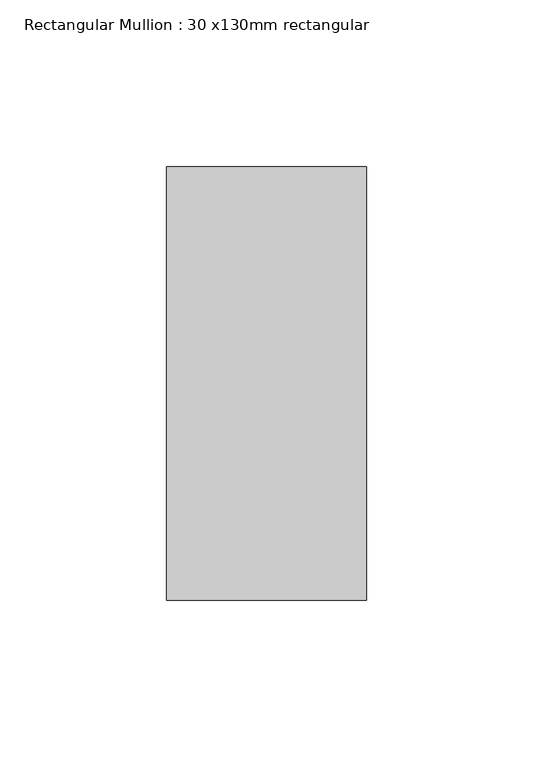
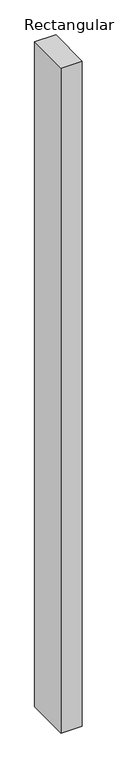
"""IFC4 building model written with IfcOpenShell, lengths in millimetres: member geometry, Rectangular Mullion : 30 x130mm rectangular."""

from ifc_helpers import new_model, si_unit, frame, origin, place, context, project, spatial, polyline, outline, extrude, source, transform, mapped, element, save


def rectangular_mullion_30_x130mm_rectangular_e98cc3a8(model_context):
    return source(origin(), model_context, "Body", "SweptSolid", [
        extrude(outline(polyline([(30.0, 65.0), (30.0, -65.0), (-30.0, -65.0), (-30.0, 65.0), (30.0, 65.0)])), frame((0.0, 0.0, -2000.0), z_axis=(0.0, 0.0, 1.0), x_axis=(1.0, 0.0, 0.0)), (0.0, 0.0, 1.0), 2000.0),
    ])


if __name__ == "__main__":
    model = new_model("IFC4")
    model_context = context("Model", 3, world=origin())
    ifc_project = project(units=[si_unit("LENGTHUNIT", "METRE", prefix="MILLI")], contexts=[model_context])
    site = spatial("IfcSite", under=ifc_project)
    building = spatial("IfcBuilding", under=site)
    placement = place(None, origin())
    rectangular_mullion_30_x130mm_rectangular_shape = rectangular_mullion_30_x130mm_rectangular_e98cc3a8(model_context)
    element("IfcMember", 1, ObjectType="Rectangular Mullion : 30 x130mm rectangular", at=placement, inside=building, context=model_context, shape_type="MappedRepresentation", body=[
        mapped(rectangular_mullion_30_x130mm_rectangular_shape, transform((0.0, 0.0, 0.0), x_axis=(1.0, 0.0, 0.0), y_axis=(0.0, 1.0, 0.0), z_axis=(0.0, 0.0, 1.0))),
    ])
    save(model, "model.ifc")
